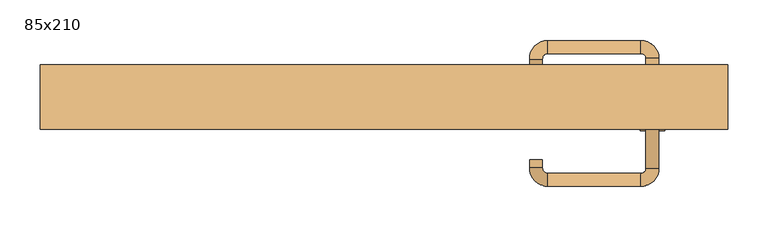
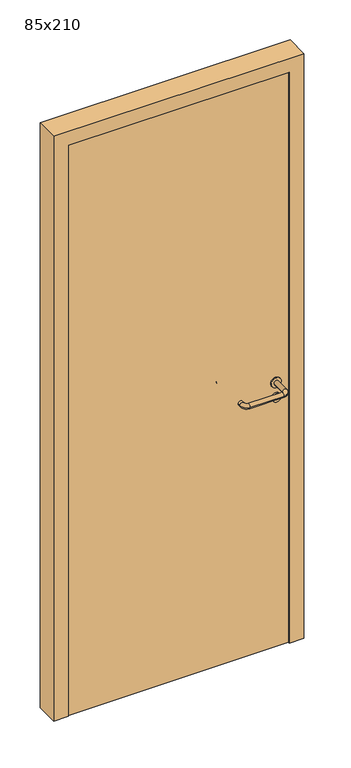
"""IFC4 building model written with IfcOpenShell, lengths in millimetres: door geometry, 85x210."""

import ifcopenshell
import ifcopenshell.guid

model = None  # the IFC model being written
_history = None  # IfcOwnerHistory: only IFC2X3 demands one
_inside = {}  # id of a spatial element -> (the spatial element, [elements in it])
_under = {}  # id of a project, library or spatial element -> (it, [spatial elements below it])
_declared = {}  # id of a project -> (the project, [libraries it declares])
_typed = {}  # id of a type object -> (the type object, [elements of that type])
_made_of = {}  # id of a material, layer set ... -> (it, [elements and type objects made of it])


def new_model(schema):
    """Start an empty IFC model of exactly this schema.

    Asked for "IFC4X3", IfcOpenShell would pick the latest addendum, in which some entities
    have other attributes; the version numbers below select the first issue.
    IFC2X3 requires an IfcOwnerHistory on every rooted entity: one is made here for all.
    """
    global model, _history
    if schema == "IFC4X3":
        model = ifcopenshell.file(schema_version=(4, 3, 0, 0))
    else:
        model = ifcopenshell.file(schema=schema)
    _inside.clear()
    _under.clear()
    _declared.clear()
    _typed.clear()
    _made_of.clear()
    _history = None
    if model.schema == "IFC2X3":
        org = make("IfcOrganization", Name="unknown")
        user = make(
            "IfcPersonAndOrganization",
            ThePerson=make("IfcPerson", FamilyName="unknown"),
            TheOrganization=org,
        )
        app = make(
            "IfcApplication",
            ApplicationDeveloper=org,
            Version="unknown",
            ApplicationFullName="unknown",
            ApplicationIdentifier="unknown",
        )
        _history = make(
            "IfcOwnerHistory",
            OwningUser=user,
            OwningApplication=app,
            ChangeAction="ADDED",
            CreationDate=0,
        )
    return model


def make(cls, **values):
    """One entity of the class cls with the attributes given. An attribute that is None is left unset."""
    return model.create_entity(
        cls, **{name: value for name, value in values.items() if value is not None}
    )


def rooted(cls, **values):
    """An entity with a GlobalId (a new one), such as an element, a storey or a relation."""
    return make(cls, GlobalId=ifcopenshell.guid.new(), OwnerHistory=_history, **values)


def si_unit(unit_type, name, prefix=None):
    """IfcSIUnit, for example si_unit("LENGTHUNIT", "METRE", prefix="MILLI")."""
    return make("IfcSIUnit", UnitType=unit_type, Prefix=prefix, Name=name)


def assignment(units):
    """IfcUnitAssignment: the units of a project."""
    return None if units is None else make("IfcUnitAssignment", Units=units)


def point(xyz):
    """IfcCartesianPoint."""
    return None if xyz is None else make("IfcCartesianPoint", Coordinates=xyz)


def direction(xyz):
    """IfcDirection."""
    return None if xyz is None else make("IfcDirection", DirectionRatios=xyz)


def frame(location, z_axis=None, x_axis=None):
    """IfcAxis2Placement3D, a coordinate frame: its origin and axes. An axis left out is left unset."""
    return make(
        "IfcAxis2Placement3D",
        Location=point(location),
        Axis=direction(z_axis),
        RefDirection=direction(x_axis),
    )


def frame_2d(location, x_axis=None):
    """IfcAxis2Placement2D, a coordinate frame in the plane: its origin and x axis."""
    return make(
        "IfcAxis2Placement2D", Location=point(location), RefDirection=direction(x_axis)
    )


def origin():
    """The frame at (0, 0, 0) with its axes left unset."""
    return frame((0.0, 0.0, 0.0))


def origin_with_axes():
    """The frame at (0, 0, 0) with the z axis (0, 0, 1) and the x axis (1, 0, 0) written out."""
    return frame((0.0, 0.0, 0.0), z_axis=(0.0, 0.0, 1.0), x_axis=(1.0, 0.0, 0.0))


def place(relative_to, where):
    """IfcLocalPlacement: puts the frame where relative to a parent placement (None: the world)."""
    return make(
        "IfcLocalPlacement", PlacementRelTo=relative_to, RelativePlacement=where
    )


def context(
    kind, dimensions, precision=None, world=None, true_north=None, identifier=None
):
    """IfcGeometricRepresentationContext, for example the 3D "Model" context."""
    return make(
        "IfcGeometricRepresentationContext",
        ContextIdentifier=identifier,
        ContextType=kind,
        CoordinateSpaceDimension=dimensions,
        Precision=precision,
        WorldCoordinateSystem=world,
        TrueNorth=true_north,
    )


def project(units=None, contexts=None):
    """IfcProject with its units and contexts."""
    return rooted(
        "IfcProject",
        Name="project",
        RepresentationContexts=contexts,
        UnitsInContext=assignment(units),
    )


def spatial(cls, under=None, at=None, **own):
    """A site, building, storey or space (cls), placed at a placement, below another one or the project."""
    s = rooted(cls, ObjectPlacement=at, **own)
    if under is not None:
        _under.setdefault(under.id(), (under, []))[1].append(s)
    return s


def polyline(points):
    """IfcPolyline through the points."""
    return make("IfcPolyline", Points=[point(p) for p in points])


def circle_curve(where, radius):
    """IfcCircle in the frame where."""
    return make("IfcCircle", Position=where, Radius=radius)


def ellipse_curve(where, semi_axis1, semi_axis2):
    """IfcEllipse in the frame where."""
    return make(
        "IfcEllipse", Position=where, SemiAxis1=semi_axis1, SemiAxis2=semi_axis2
    )


def trimmed(basis, trim1, trim2, sense, master):
    """IfcTrimmedCurve: the piece of a basis curve between two trims."""
    return make(
        "IfcTrimmedCurve",
        BasisCurve=basis,
        Trim1=trim1,
        Trim2=trim2,
        SenseAgreement=sense,
        MasterRepresentation=master,
    )


def segment(curve, same_sense, transition):
    """IfcCompositeCurveSegment."""
    return make(
        "IfcCompositeCurveSegment",
        Transition=transition,
        SameSense=same_sense,
        ParentCurve=curve,
    )


def composite_curve(segments, self_intersect=None):
    """IfcCompositeCurve: segments joined end to end."""
    return make("IfcCompositeCurve", Segments=segments, SelfIntersect=self_intersect)


def outline(outer, holes=None, kind="AREA"):
    """IfcArbitraryClosedProfileDef: a profile drawn as a closed curve; with holes, ...WithVoids."""
    if holes is None:
        return make("IfcArbitraryClosedProfileDef", ProfileType=kind, OuterCurve=outer)
    return make(
        "IfcArbitraryProfileDefWithVoids",
        ProfileType=kind,
        OuterCurve=outer,
        InnerCurves=holes,
    )


def extrude(swept, where, along, depth):
    """IfcExtrudedAreaSolid: the profile swept, set in the frame where, extruded along a direction by depth."""
    return make(
        "IfcExtrudedAreaSolid",
        SweptArea=swept,
        Position=where,
        ExtrudedDirection=direction(along),
        Depth=depth,
    )


def shape(context_of_items, identifier, shape_type, items):
    """IfcShapeRepresentation: the items that make up one representation, for example the "Body"."""
    return make(
        "IfcShapeRepresentation",
        ContextOfItems=context_of_items,
        RepresentationIdentifier=identifier,
        RepresentationType=shape_type,
        Items=items,
    )


def source(mapping_origin, context_of_items, identifier, shape_type, items):
    """IfcRepresentationMap: a shape defined once, which mapped items show again and again."""
    return make(
        "IfcRepresentationMap",
        MappingOrigin=mapping_origin,
        MappedRepresentation=shape(context_of_items, identifier, shape_type, items),
    )


def transform(
    local_origin,
    x_axis=None,
    y_axis=None,
    z_axis=None,
    scale=None,
    scale2=None,
    scale3=None,
    uniform=True,
):
    """IfcCartesianTransformationOperator3D, or its non-uniform kind. x_axis, y_axis, z_axis: its Axis1, 2, 3."""
    if uniform:
        return make(
            "IfcCartesianTransformationOperator3D",
            Axis1=direction(x_axis),
            Axis2=direction(y_axis),
            LocalOrigin=point(local_origin),
            Scale=scale,
            Axis3=direction(z_axis),
        )
    return make(
        "IfcCartesianTransformationOperator3DnonUniform",
        Axis1=direction(x_axis),
        Axis2=direction(y_axis),
        LocalOrigin=point(local_origin),
        Scale=scale,
        Axis3=direction(z_axis),
        Scale2=scale2,
        Scale3=scale3,
    )


def mapped(mapping_source, mapping_target):
    """IfcMappedItem: shows the shape of a source again, moved by a transform."""
    return make(
        "IfcMappedItem", MappingSource=mapping_source, MappingTarget=mapping_target
    )


def made_of(thing, what):
    """Note that an element or type object is made of a material, layer set ...; save() writes the relation."""
    if what is not None:
        _made_of.setdefault(what.id(), (what, []))[1].append(thing)
    return thing


def element(
    cls,
    number,
    at=None,
    inside=None,
    cuts=None,
    type_object=None,
    material=None,
    context=None,
    identifier="Body",
    shape_type=None,
    held_by="IfcProductDefinitionShape",
    body=None,
    shapes=None,
    **own,
):
    """One element of the class cls, such as IfcWall. Its Tag is "e" and its number.

    at: its placement. inside: the storey or other place that contains it. cuts: it is an
    opening in that element (IfcRelVoidsElement). A single representation is given by context,
    identifier, shape_type and body (its items); several are given by shapes. held_by: the class
    of the entity that holds the representations. save() writes the other relations.
    """
    e = rooted(cls, Tag="e%d" % number, ObjectPlacement=at, **own)
    if body is not None:
        shapes = [shape(context, identifier, shape_type, body)]
    if shapes is not None:
        e.Representation = make(held_by, Representations=shapes)
    if inside is not None:
        _inside.setdefault(inside.id(), (inside, []))[1].append(e)
    if cuts is not None:
        rooted(
            "IfcRelVoidsElement", RelatingBuildingElement=cuts, RelatedOpeningElement=e
        )
    if type_object is not None:
        _typed.setdefault(type_object.id(), (type_object, []))[1].append(e)
    return made_of(e, material)


def aggregate(whole, parts):
    """IfcRelAggregates: a whole, such as a stair, and the parts it consists of."""
    return rooted("IfcRelAggregates", RelatingObject=whole, RelatedObjects=parts)


def save(model, path):
    """Write the relations noted so far, then the file.

    IfcRelAggregates (storeys below a building ...), IfcRelContainedInSpatialStructure (elements
    in a storey), IfcRelDefinesByType, IfcRelAssociatesMaterial and IfcRelDeclares: one each for
    every whole, place, type object, material and project.
    """
    for whole, parts in _under.values():
        aggregate(whole, parts)
    for where, things in _inside.values():
        rooted(
            "IfcRelContainedInSpatialStructure",
            RelatedElements=things,
            RelatingStructure=where,
        )
    for kind, things in _typed.values():
        rooted("IfcRelDefinesByType", RelatedObjects=things, RelatingType=kind)
    for what, things in _made_of.values():
        rooted("IfcRelAssociatesMaterial", RelatedObjects=things, RelatingMaterial=what)
    for by, libraries in _declared.values():
        rooted("IfcRelDeclares", RelatingContext=by, RelatedDefinitions=libraries)
    model.write(path)


def plane_surface(at):
    """IfcPlane: the flat surface through the origin of the frame at, square to its z axis."""
    return make("IfcPlane", Position=at)


def cylinder_surface(at, radius):
    """IfcCylindricalSurface: all points at the distance radius from the z axis of the frame at."""
    return make("IfcCylindricalSurface", Position=at, Radius=radius)


def revolved_surface(curve, axis_point, axis_direction):
    """IfcSurfaceOfRevolution: the curve turned about the line through axis_point along axis_direction."""
    return make(
        "IfcSurfaceOfRevolution",
        SweptCurve=make("IfcArbitraryOpenProfileDef", ProfileType="CURVE", Curve=curve),
        AxisPosition=make("IfcAxis1Placement", Location=point(axis_point), Axis=direction(axis_direction)),
    )


def advanced_brep(points, edges, surfaces, faces):
    """IfcAdvancedBrep: a solid bounded by faces that lie on surfaces and meet in shared edges.

    An edge is (start, end): straight between two places in points (the first is 0);
    or (start, end, curve); or (start, end, curve, False) where it runs against its curve.
    A face is (place in surfaces, loops), or (place, loops, False) where it looks against
    its surface's normal. A loop lists edges by number (the first is 1), with a minus sign
    where the edge is run from its end to its start. The first loop is the outer one.
    """
    corners = [point(p) for p in points]
    vertices = [make("IfcVertexPoint", VertexGeometry=c) for c in corners]
    made = []
    for start, end, *more in edges:
        made.append(
            make(
                "IfcEdgeCurve",
                EdgeStart=vertices[start],
                EdgeEnd=vertices[end],
                EdgeGeometry=more[0] if more else make("IfcPolyline", Points=[corners[start], corners[end]]),
                SameSense=more[1] if len(more) > 1 else True,
            )
        )
    hull = []
    for where, loops, *sense in faces:
        bounds = []
        for j, loop in enumerate(loops):
            ring = [make("IfcOrientedEdge", EdgeElement=made[abs(k) - 1], Orientation=k > 0) for k in loop]
            bounds.append(
                make(
                    "IfcFaceOuterBound" if j == 0 else "IfcFaceBound",
                    Bound=make("IfcEdgeLoop", EdgeList=ring),
                    Orientation=True,
                )
            )
        hull.append(make("IfcAdvancedFace", Bounds=bounds, FaceSurface=surfaces[where], SameSense=sense[0] if sense else True))
    return make("IfcAdvancedBrep", Outer=make("IfcClosedShell", CfsFaces=hull))


def door_85x210_b6362044(model_context):
    return source(origin(), model_context, "Body", "SolidModel", [
        extrude(outline(composite_curve([segment(trimmed(circle_curve(frame_2d((897.3605726, 332.0)), 15.0), [point((897.3605726, 347.0))], [point((897.3605726, 317.0))], False, "CARTESIAN"), True, "CONTINUOUS"), segment(trimmed(circle_curve(frame_2d((897.3605726, 332.0)), 15.0), [point((897.3605726, 317.0))], [point((897.3605726, 347.0))], False, "CARTESIAN"), True, "CONTINUOUS")], self_intersect=False), holes=[composite_curve([segment(trimmed(circle_curve(frame_2d((892.5833211, 331.9398032)), 2.0), [point((892.5833211, 333.9398032))], [point((892.5833211, 329.9398032))], True, "CARTESIAN"), True, "CONTINUOUS"), segment(polyline([(892.5833211, 329.9398032), (902.5833211, 329.9398032)]), True, "CONTINUOUS"), segment(trimmed(circle_curve(frame_2d((902.5833211, 331.9398032)), 2.0), [point((902.5833211, 329.9398032))], [point((902.5833211, 333.9398032))], True, "CARTESIAN"), True, "CONTINUOUS"), segment(polyline([(902.5833211, 333.9398032), (892.5833211, 333.9398032)]), True, "CONTINUOUS")], self_intersect=False)]), frame((0.0, -15.0, 0.0), z_axis=(0.0, 1.0, 0.0), x_axis=(0.0, 0.0, 1.0)), (0.0, 0.0, 1.0), 6.35),
        extrude(outline(composite_curve([segment(trimmed(circle_curve(frame_2d((950.0, 332.0)), 17.526), [point((950.0, 349.526))], [point((950.0, 314.474))], False, "CARTESIAN"), True, "CONTINUOUS"), segment(trimmed(circle_curve(frame_2d((950.0, 332.0)), 17.526), [point((950.0, 314.474))], [point((950.0, 349.526))], False, "CARTESIAN"), True, "CONTINUOUS")], self_intersect=False)), frame((0.0, -15.0, 0.0), z_axis=(0.0, 1.0, 0.0), x_axis=(0.0, 0.0, 1.0)), (0.0, 0.0, 1.0), 3.175),
        advanced_brep(
        [(340.0, -15.0, 950.0), (324.0, -15.0, 950.0), (340.0, 38.0, 950.0), (324.0, 38.0, 950.0), (317.8578644, 44.1421356, 950.0), (317.8578644, 60.1421356, 950.0), (202.8578644, 60.1421356, 950.0), (202.8578644, 44.1421356, 950.0), (196.008622, 37.2928932, 950.0), (180.008622, 37.2928932, 950.0), (180.008622, 27.2928932, 950.0), (196.008622, 27.2928932, 950.0)],
        [
            (0, 1, circle_curve(frame((332.0, -15.0, 950.0), z_axis=(0.0, -1.0, 0.0), x_axis=(-1.0, 0.0, 0.0)), 8.0)),
            (1, 0, circle_curve(frame((332.0, -15.0, 950.0), z_axis=(0.0, -1.0, 0.0), x_axis=(-1.0, 0.0, 0.0)), 8.0)),
            (0, 2),
            (2, 3, circle_curve(frame((332.0, 38.0, 950.0), z_axis=(0.0, -1.0, 0.0), x_axis=(-1.0, 0.0, 0.0)), 8.0)),
            (3, 1),
            (3, 2, circle_curve(frame((332.0, 38.0, 950.0), z_axis=(0.0, -1.0, 0.0), x_axis=(-1.0, 0.0, 0.0)), 8.0)),
            (4, 3, circle_curve(frame((317.8578644, 38.0, 950.0), z_axis=(0.0, 0.0, -1.0), x_axis=(1.0, 0.0, 0.0)), 6.1421356)),
            (2, 5, circle_curve(frame((317.8578644, 38.0, 950.0), z_axis=(0.0, 0.0, 1.0), x_axis=(1.0, 0.0, 0.0)), 22.1421356)),
            (5, 4, circle_curve(frame((317.8578644, 52.1421356, 950.0), z_axis=(1.0, 0.0, 0.0), x_axis=(0.0, -1.0, 0.0)), 8.0)),
            (4, 5, circle_curve(frame((317.8578644, 52.1421356, 950.0), z_axis=(1.0, 0.0, 0.0), x_axis=(0.0, -1.0, 0.0)), 8.0)),
            (5, 6),
            (6, 7, circle_curve(frame((202.8578644, 52.1421356, 950.0), z_axis=(1.0, 0.0, 0.0), x_axis=(0.0, -1.0, 0.0)), 8.0)),
            (7, 4),
            (7, 6, circle_curve(frame((202.8578644, 52.1421356, 950.0), z_axis=(1.0, 0.0, 0.0), x_axis=(0.0, -1.0, 0.0)), 8.0)),
            (8, 7, circle_curve(frame((202.8578644, 37.2928932, 950.0), z_axis=(0.0, 0.0, -1.0), x_axis=(0.0, 1.0, 0.0)), 6.8492424)),
            (6, 9, circle_curve(frame((202.8578644, 37.2928932, 950.0), z_axis=(0.0, 0.0, 1.0), x_axis=(0.0, 1.0, 0.0)), 22.8492424)),
            (9, 8, circle_curve(frame((188.008622, 37.2928932, 950.0), z_axis=(0.0, 1.0, 0.0), x_axis=(1.0, 0.0, 0.0)), 8.0)),
            (8, 9, circle_curve(frame((188.008622, 37.2928932, 950.0), z_axis=(0.0, 1.0, 0.0), x_axis=(1.0, 0.0, 0.0)), 8.0)),
            (10, 11, circle_curve(frame((188.008622, 27.2928932, 950.0), z_axis=(0.0, -1.0, 0.0), x_axis=(1.0, 0.0, 0.0)), 8.0)),
            (11, 10, circle_curve(frame((188.008622, 27.2928932, 950.0), z_axis=(0.0, -1.0, 0.0), x_axis=(1.0, 0.0, 0.0)), 8.0)),
            (9, 10),
            (11, 8),
        ],
        [
            plane_surface(frame((332.0, -15.0, 0.0), z_axis=(0.0, -1.0, 0.0), x_axis=(0.0, 0.0, 1.0))),
            cylinder_surface(frame((332.0, -15.0, 950.0), z_axis=(0.0, -1.0, 0.0), x_axis=(-1.0, 0.0, 0.0)), 8.0),
            revolved_surface(trimmed(ellipse_curve(frame((332.0, 38.0, 950.0), z_axis=(0.0, -1.0, 0.0), x_axis=(-1.0, 0.0, 0.0)), 8.0, 8.0), [point((340.0, 38.0, 950.0))], [point((324.0, 38.0, 950.0))], True, "CARTESIAN"), (317.8578644, 38.0, 0.0), (0.0, 0.0, 1.0)),
            revolved_surface(trimmed(ellipse_curve(frame((332.0, 38.0, 950.0), z_axis=(0.0, -1.0, 0.0), x_axis=(-1.0, 0.0, 0.0)), 8.0, 8.0), [point((324.0, 38.0, 950.0))], [point((340.0, 38.0, 950.0))], True, "CARTESIAN"), (317.8578644, 38.0, 0.0), (0.0, 0.0, 1.0)),
            cylinder_surface(frame((317.8578644, 52.1421356, 950.0), z_axis=(1.0, 0.0, 0.0), x_axis=(0.0, -1.0, 0.0)), 8.0),
            revolved_surface(trimmed(ellipse_curve(frame((202.8578644, 52.1421356, 950.0), z_axis=(1.0, 0.0, 0.0), x_axis=(0.0, -1.0, 0.0)), 8.0, 8.0), [point((202.8578644, 60.1421356, 950.0))], [point((202.8578644, 44.1421356, 950.0))], True, "CARTESIAN"), (202.8578644, 37.2928932, 0.0), (0.0, 0.0, 1.0)),
            revolved_surface(trimmed(ellipse_curve(frame((202.8578644, 52.1421356, 950.0), z_axis=(1.0, 0.0, 0.0), x_axis=(0.0, -1.0, 0.0)), 8.0, 8.0), [point((202.8578644, 44.1421356, 950.0))], [point((202.8578644, 60.1421356, 950.0))], True, "CARTESIAN"), (202.8578644, 37.2928932, 0.0), (0.0, 0.0, 1.0)),
            plane_surface(frame((188.008622, 27.2928932, 0.0), z_axis=(0.0, -1.0, 0.0), x_axis=(0.0, 0.0, 1.0))),
            cylinder_surface(frame((188.008622, 37.2928932, 950.0), z_axis=(0.0, 1.0, 0.0), x_axis=(1.0, 0.0, 0.0)), 8.0),
        ],
        [
            (0, [[1, 2]]),
            (1, [[-1, 3, 4, 5]]),
            (1, [[-2, -5, 6, -3]]),
            (2, [[7, -4, 8, 9]]),
            (3, [[-8, -6, -7, 10]]),
            (4, [[-9, 11, 12, 13]]),
            (4, [[-10, -13, 14, -11]]),
            (5, [[15, -12, 16, 17]]),
            (6, [[-16, -14, -15, 18]]),
            (7, [[19, 20]]),
            (8, [[-17, 21, -20, 22]]),
            (8, [[-18, -22, -19, -21]]),
        ],
    ),
        extrude(outline(composite_curve([segment(trimmed(circle_curve(frame_2d((0.0, 15.0)), 15.0), [point((0.0, 30.0))], [point((0.0, 0.0))], False, "CARTESIAN"), True, "CONTINUOUS"), segment(trimmed(circle_curve(frame_2d((0.0, 15.0)), 15.0), [point((0.0, 0.0))], [point((0.0, 30.0))], False, "CARTESIAN"), True, "CONTINUOUS")], self_intersect=False), holes=[composite_curve([segment(trimmed(circle_curve(frame_2d((-4.7772515, 14.9398032)), 2.0), [point((-4.7772515, 16.9398032))], [point((-4.7772515, 12.9398032))], True, "CARTESIAN"), True, "CONTINUOUS"), segment(polyline([(-4.7772515, 12.9398032), (5.2227485, 12.9398032)]), True, "CONTINUOUS"), segment(trimmed(circle_curve(frame_2d((5.2227485, 14.9398032)), 2.0), [point((5.2227485, 12.9398032))], [point((5.2227485, 16.9398032))], True, "CARTESIAN"), True, "CONTINUOUS"), segment(polyline([(5.2227485, 16.9398032), (-4.7772515, 16.9398032)]), True, "CONTINUOUS")], self_intersect=False)]), frame((317.0, -51.35, 897.3605726), z_axis=(-1.8870575173328306e-12, 1.0, 0.0), x_axis=(0.0, 0.0, 1.0)), (0.0, 0.0, 1.0), 6.35),
        extrude(outline(composite_curve([segment(trimmed(circle_curve(frame_2d((0.0, 17.526)), 17.526), [point((0.0, 35.052))], [point((0.0, 0.0))], False, "CARTESIAN"), True, "CONTINUOUS"), segment(trimmed(circle_curve(frame_2d((0.0, 17.526)), 17.526), [point((0.0, 0.0))], [point((0.0, 35.052))], False, "CARTESIAN"), True, "CONTINUOUS")], self_intersect=False)), frame((314.474, -48.175, 950.0), z_axis=(-1.8870575173328306e-12, 1.0, 0.0), x_axis=(0.0, 0.0, 1.0)), (0.0, 0.0, 1.0), 3.175),
        advanced_brep(
        [(340.0, -45.0, 950.0), (324.0, -45.0, 950.0), (324.0, -98.0, 950.0), (340.0, -98.0, 950.0), (317.8578644, -104.1421356, 950.0), (317.8578644, -120.1421356, 950.0), (202.8578644, -104.1421356, 950.0), (202.8578644, -120.1421356, 950.0), (196.008622, -97.2928932, 950.0), (180.008622, -97.2928932, 950.0), (180.008622, -87.2928932, 950.0), (196.008622, -87.2928932, 950.0)],
        [
            (0, 1, circle_curve(frame((332.0, -45.0, 950.0), z_axis=(-1.888672253512351e-12, 1.0, 0.0), x_axis=(-1.0, -1.888672253512351e-12, 0.0)), 8.0)),
            (1, 0, circle_curve(frame((332.0, -45.0, 950.0), z_axis=(-1.888672253512351e-12, 1.0, 0.0), x_axis=(-1.0, -1.888672253512351e-12, 0.0)), 8.0)),
            (1, 2),
            (2, 3, circle_curve(frame((332.0, -98.0, 950.0), z_axis=(-1.888672253512351e-12, 1.0, 0.0), x_axis=(-1.0, -1.888672253512351e-12, 0.0)), 8.0)),
            (3, 0),
            (3, 2, circle_curve(frame((332.0, -98.0, 950.0), z_axis=(-1.888672253512351e-12, 1.0, 0.0), x_axis=(-1.0, -1.888672253512351e-12, 0.0)), 8.0)),
            (4, 5, circle_curve(frame((317.8578644, -112.1421356, 950.0), z_axis=(1.0, 1.913702061528922e-12, 0.0), x_axis=(-1.913702061528922e-12, 1.0, 0.0)), 8.0)),
            (5, 3, circle_curve(frame((317.8578644, -98.0, 950.0), z_axis=(0.0, 0.0, 1.0), x_axis=(1.0, 1.880717803715015e-12, 0.0)), 22.1421356)),
            (2, 4, circle_curve(frame((317.8578644, -98.0, 950.0), z_axis=(0.0, 0.0, -1.0), x_axis=(1.0, 1.880717803715015e-12, 0.0)), 6.1421356)),
            (5, 4, circle_curve(frame((317.8578644, -112.1421356, 950.0), z_axis=(1.0, 1.913702061528922e-12, 0.0), x_axis=(-1.913702061528922e-12, 1.0, 0.0)), 8.0)),
            (4, 6),
            (6, 7, circle_curve(frame((202.8578644, -112.1421356, 950.0), z_axis=(1.0, 1.913719828541269e-12, 0.0), x_axis=(-1.913719828541269e-12, 1.0, 0.0)), 8.0)),
            (7, 5),
            (7, 6, circle_curve(frame((202.8578644, -112.1421356, 950.0), z_axis=(1.0, 1.913719828541269e-12, 0.0), x_axis=(-1.913719828541269e-12, 1.0, 0.0)), 8.0)),
            (8, 9, circle_curve(frame((188.008622, -97.2928932, 950.0), z_axis=(1.8888942981172756e-12, -1.0, 0.0), x_axis=(1.0, 1.8888942981172756e-12, 0.0)), 8.0)),
            (9, 7, circle_curve(frame((202.8578644, -97.2928932, 950.0), z_axis=(0.0, 0.0, 1.0), x_axis=(1.9120873253494017e-12, -1.0, 0.0)), 22.8492424)),
            (6, 8, circle_curve(frame((202.8578644, -97.2928932, 950.0), z_axis=(0.0, 0.0, -1.0), x_axis=(1.9120873253494017e-12, -1.0, 0.0)), 6.8492424)),
            (9, 8, circle_curve(frame((188.008622, -97.2928932, 950.0), z_axis=(1.890448610351751e-12, -1.0, 0.0), x_axis=(1.0, 1.890448610351751e-12, 0.0)), 8.0)),
            (10, 11, circle_curve(frame((188.008622, -87.2928932, 950.0), z_axis=(-1.8903642334018795e-12, 1.0, 0.0), x_axis=(1.0, 1.8903642334018795e-12, 0.0)), 8.0)),
            (11, 10, circle_curve(frame((188.008622, -87.2928932, 950.0), z_axis=(-1.8903642334018795e-12, 1.0, 0.0), x_axis=(1.0, 1.8903642334018795e-12, 0.0)), 8.0)),
            (8, 11),
            (10, 9),
        ],
        [
            plane_surface(frame((332.0, -45.0, 0.0), z_axis=(-1.8870575173328306e-12, 1.0, 0.0), x_axis=(0.0, 0.0, 1.0))),
            cylinder_surface(frame((332.0, -45.0, 950.0), z_axis=(-1.888672253512351e-12, 1.0, 0.0), x_axis=(-1.0, -1.888672253512351e-12, 0.0)), 8.0),
            revolved_surface(trimmed(ellipse_curve(frame((332.0, -98.0, 950.0), z_axis=(1.8823325398945356e-12, -1.0, 0.0), x_axis=(-1.0, -1.8823325398945356e-12, 0.0)), 8.0, 8.0), [point((340.0, -98.0, 950.0))], [point((324.0, -98.0, 950.0))], True, "CARTESIAN"), (317.8578644, -98.0, 0.0), (0.0, 0.0, 1.0)),
            revolved_surface(trimmed(ellipse_curve(frame((332.0, -98.0, 950.0), z_axis=(1.8823325398945356e-12, -1.0, 0.0), x_axis=(-1.0, -1.8823325398945356e-12, 0.0)), 8.0, 8.0), [point((324.0, -98.0, 950.0))], [point((340.0, -98.0, 950.0))], True, "CARTESIAN"), (317.8578644, -98.0, 0.0), (0.0, 0.0, 1.0)),
            cylinder_surface(frame((317.8578644, -112.1421356, 950.0), z_axis=(1.0, 1.913719828541269e-12, 0.0), x_axis=(-1.913719828541269e-12, 1.0, 0.0)), 8.0),
            revolved_surface(trimmed(ellipse_curve(frame((202.8578644, -112.1421356, 950.0), z_axis=(-1.0, -1.913702061528922e-12, 0.0), x_axis=(-1.913702061528922e-12, 1.0, 0.0)), 8.0, 8.0), [point((202.8578644, -120.1421356, 950.0))], [point((202.8578644, -104.1421356, 950.0))], True, "CARTESIAN"), (202.8578644, -97.2928932, 0.0), (0.0, 0.0, 1.0)),
            revolved_surface(trimmed(ellipse_curve(frame((202.8578644, -112.1421356, 950.0), z_axis=(-1.0, -1.913702061528922e-12, 0.0), x_axis=(-1.913702061528922e-12, 1.0, 0.0)), 8.0, 8.0), [point((202.8578644, -104.1421356, 950.0))], [point((202.8578644, -120.1421356, 950.0))], True, "CARTESIAN"), (202.8578644, -97.2928932, 0.0), (0.0, 0.0, 1.0)),
            plane_surface(frame((188.008622, -87.2928932, 0.0), z_axis=(-1.8887494972223595e-12, 1.0, 0.0), x_axis=(0.0, 0.0, 1.0))),
            cylinder_surface(frame((188.008622, -97.2928932, 950.0), z_axis=(1.8903642334018795e-12, -1.0, 0.0), x_axis=(1.0, 1.8903642334018795e-12, 0.0)), 8.0),
        ],
        [
            (0, [[1, 2]]),
            (1, [[3, 4, 5, -2]]),
            (1, [[-5, 6, -3, -1]]),
            (2, [[7, 8, -4, 9]]),
            (3, [[10, -9, -6, -8]]),
            (4, [[11, 12, 13, -7]]),
            (4, [[-13, 14, -11, -10]]),
            (5, [[15, 16, -12, 17]]),
            (6, [[18, -17, -14, -16]]),
            (7, [[19, 20]]),
            (8, [[21, -19, 22, -15]]),
            (8, [[-22, -20, -21, -18]]),
        ],
    ),
        extrude(outline(polyline([(2050.0, 375.0), (0.0, 375.0), (0.0, 425.0), (2100.0, 425.0), (2100.0, -425.0), (0.0, -425.0), (0.0, -375.0), (2050.0, -375.0), (2050.0, 375.0)])), frame((0.0, -50.0, 0.0), z_axis=(0.0, 1.0, 0.0), x_axis=(0.0, 0.0, 1.0)), (0.0, 0.0, 1.0), 80.0),
        extrude(outline(polyline([(-375.0, -45.0), (-375.0, -15.0), (375.0, -15.0), (375.0, -45.0), (-375.0, -45.0)])), origin_with_axes(), (0.0, 0.0, 1.0), 2050.0),
    ])


if __name__ == "__main__":
    model = new_model("IFC4")
    model_context = context("Model", 3, world=origin())
    ifc_project = project(units=[si_unit("LENGTHUNIT", "METRE", prefix="MILLI")], contexts=[model_context])
    site = spatial("IfcSite", under=ifc_project)
    building = spatial("IfcBuilding", under=site)
    placement = place(None, origin())
    door_85x210_shape = door_85x210_b6362044(model_context)
    element("IfcDoor", 1, ObjectType="85x210", at=placement, inside=building, context=model_context, shape_type="MappedRepresentation", body=[
        mapped(door_85x210_shape, transform((0.0, 0.0, 0.0), x_axis=(1.0, 0.0, 0.0), y_axis=(0.0, 1.0, 0.0), z_axis=(0.0, 0.0, 1.0))),
    ])
    save(model, "model.ifc")
